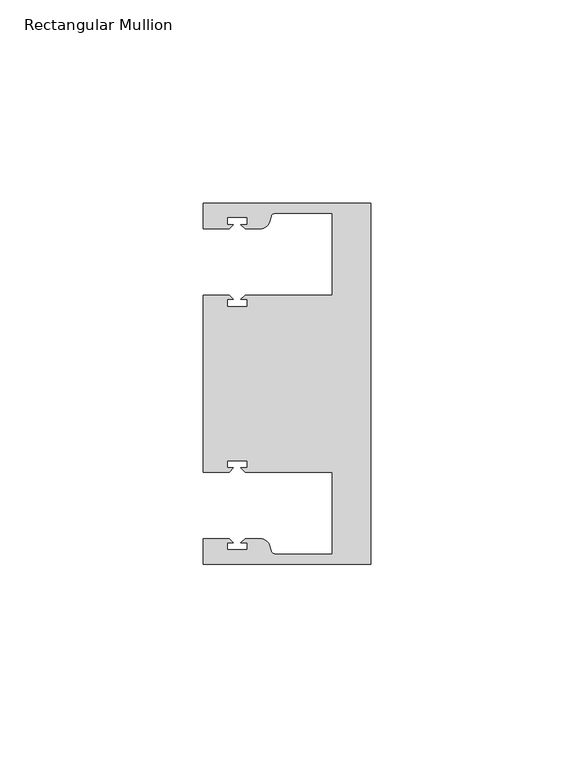
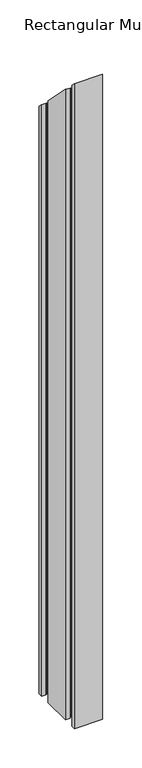
"""IFC4 building model written with IfcOpenShell, lengths in millimetres: member geometry, Rectangular Mullion."""

from ifc_helpers import new_model, si_unit, frame, origin, place, context, project, spatial, polyline, circle_curve, ellipse_curve, source, transform, mapped, element, save
from ifc_brep_helpers import plane_surface, cylinder_surface, revolved_surface, advanced_brep


def rectangular_mullion_f5ccfd08(model_context):
    return source(origin(), model_context, "Body", "AdvancedBrep", [
        advanced_brep(
        [(0.0, -44.45, -952.5), (-41.2749977, -44.45, -952.5), (-41.2749977, -38.1499897, -952.5), (-34.8007531, -38.1499897, -952.5), (-33.8007405, -39.1500023, -952.5), (-35.3749778, -39.1500023, -952.5), (-35.3749778, -40.9498819, -952.5), (-30.3749831, -40.9498819, -952.5), (-30.3749831, -39.1500023, -952.5), (-31.949256, -39.1500023, -952.5), (-30.9492503, -38.1499966, -952.5), (-27.2637853, -38.1499966, -952.5), (-24.8489707, -40.002949, -952.5), (-24.5258588, -41.2088192, -952.5), (-23.5599329, -41.9500001, -952.5), (-9.525, -41.95, -952.5), (-9.525, -21.7499959, -952.5), (-30.9492434, -21.7499959, -952.5), (-31.949256, -20.7499834, -952.5), (-30.3750186, -20.7499834, -952.5), (-30.3750186, -18.949936, -952.5), (-35.3750134, -18.949936, -952.5), (-35.3750134, -20.7499834, -952.5), (-33.8007405, -20.7499834, -952.5), (-34.8007562, -21.749999, -952.5), (-41.275, -21.749999, -952.5), (-41.275, 21.749999, -952.5), (-34.8007562, 21.749999, -952.5), (-33.8007405, 20.7499834, -952.5), (-35.3750134, 20.7499834, -952.5), (-35.3750134, 18.949936, -952.5), (-30.3750186, 18.949936, -952.5), (-30.3750186, 20.7499834, -952.5), (-31.949256, 20.7499834, -952.5), (-30.9492434, 21.7499959, -952.5), (-9.525, 21.7499959, -952.5), (-9.525, 41.95, -952.5), (-23.5599329, 41.95, -952.5), (-24.5258588, 41.2088192, -952.5), (-24.8489707, 40.002949, -952.5), (-27.2637853, 38.1499966, -952.5), (-30.9492503, 38.1499966, -952.5), (-31.949256, 39.1500023, -952.5), (-30.3749831, 39.1500023, -952.5), (-30.3749831, 40.9498819, -952.5), (-35.3749778, 40.9498819, -952.5), (-35.3749778, 39.1500023, -952.5), (-33.8007405, 39.1500023, -952.5), (-34.8007531, 38.1499897, -952.5), (-41.275, 38.1499897, -952.5), (-41.275, 44.45, -952.5), (0.0, 44.45, -952.5), (0.0, 44.45, -44.45), (0.0, -44.45, 44.45), (-41.275, 44.45, -44.45), (-41.275, 38.1499897, -38.1499897), (-34.8007531, 38.1499897, -38.1499897), (-33.8007405, 39.1500023, -39.1500023), (-35.3749778, 39.1500023, -39.1500023), (-35.3749778, 40.9498819, -40.9498819), (-30.3749831, 40.9498819, -40.9498819), (-30.3749831, 39.1500023, -39.1500023), (-31.949256, 39.1500023, -39.1500023), (-30.9492503, 38.1499966, -38.1499966), (-27.2637853, 38.1499966, -38.1499966), (-24.8489707, 40.002949, -40.002949), (-24.5258588, 41.2088192, -41.2088192), (-23.5599329, 41.9500001, -41.9500001), (-9.525, 41.95, -41.95), (-9.525, 21.7499959, -21.7499959), (-30.9492434, 21.7499959, -21.7499959), (-31.949256, 20.7499834, -20.7499834), (-30.3750186, 20.7499834, -20.7499834), (-30.3750186, 18.949936, -18.949936), (-35.3750134, 18.949936, -18.949936), (-35.3750134, 20.7499834, -20.7499834), (-33.8007405, 20.7499834, -20.7499834), (-34.8007562, 21.749999, -21.749999), (-41.275, 21.749999, -21.749999), (-41.275, -21.749999, 21.749999), (-34.8007562, -21.749999, 21.749999), (-33.8007405, -20.7499834, 20.7499834), (-35.3750134, -20.7499834, 20.7499834), (-35.3750134, -18.949936, 18.949936), (-30.3750186, -18.949936, 18.949936), (-30.3750186, -20.7499834, 20.7499834), (-31.949256, -20.7499834, 20.7499834), (-30.9492434, -21.7499959, 21.7499959), (-9.525, -21.7499959, 21.7499959), (-9.525, -41.95, 41.95), (-23.5599329, -41.95, 41.9500001), (-24.5258588, -41.2088192, 41.2088192), (-24.8489707, -40.002949, 40.002949), (-27.2637853, -38.1499966, 38.1499966), (-30.9492503, -38.1499966, 38.1499966), (-31.949256, -39.1500023, 39.1500023), (-30.3749831, -39.1500023, 39.1500023), (-30.3749831, -40.9498819, 40.9498819), (-35.3749778, -40.9498819, 40.9498819), (-35.3749778, -39.1500023, 39.1500023), (-33.8007405, -39.1500023, 39.1500023), (-34.8007531, -38.1499897, 38.1499897), (-41.2749977, -38.1499897, 38.1499897), (-41.2749977, -44.45, 44.45)],
        [
            (0, 1),
            (1, 2),
            (2, 3),
            (3, 4),
            (4, 5),
            (5, 6),
            (6, 7),
            (7, 8),
            (8, 9),
            (9, 10),
            (10, 11),
            (11, 12, circle_curve(frame((-27.2637853, -40.6499966, -952.5), z_axis=(0.0, 0.0, -1.0), x_axis=(0.0, 1.0, 0.0)), 2.5)),
            (12, 13),
            (13, 14, circle_curve(frame((-23.5599329, -40.9500001, -952.5), z_axis=(0.0, 0.0, 1.0), x_axis=(0.0, 1.0, 0.0)), 1.0)),
            (14, 15),
            (15, 16),
            (16, 17),
            (17, 18),
            (18, 19),
            (19, 20),
            (20, 21),
            (21, 22),
            (22, 23),
            (23, 24),
            (24, 25),
            (25, 26),
            (26, 27),
            (27, 28),
            (28, 29),
            (29, 30),
            (30, 31),
            (31, 32),
            (32, 33),
            (33, 34),
            (34, 35),
            (35, 36),
            (36, 37),
            (37, 38, circle_curve(frame((-23.5599329, 40.9500001, -952.5), z_axis=(0.0, 0.0, 1.0), x_axis=(0.0, -1.0, 0.0)), 1.0)),
            (38, 39),
            (39, 40, circle_curve(frame((-27.2637853, 40.6499966, -952.5), z_axis=(0.0, 0.0, -1.0), x_axis=(0.0, -1.0, 0.0)), 2.5)),
            (40, 41),
            (41, 42),
            (42, 43),
            (43, 44),
            (44, 45),
            (45, 46),
            (46, 47),
            (47, 48),
            (48, 49),
            (49, 50),
            (50, 51),
            (51, 0),
            (52, 53),
            (53, 0),
            (51, 52),
            (54, 52),
            (50, 54),
            (55, 54),
            (49, 55),
            (56, 55),
            (48, 56),
            (57, 56),
            (47, 57),
            (58, 57),
            (46, 58),
            (59, 58),
            (45, 59),
            (60, 59),
            (44, 60),
            (61, 60),
            (43, 61),
            (62, 61),
            (42, 62),
            (63, 62),
            (41, 63),
            (64, 63),
            (40, 64),
            (65, 64, ellipse_curve(frame((-27.2637853, 40.6499966, -40.6499966), z_axis=(0.0, -0.7071067811865476, -0.7071067811865476), x_axis=(0.0, -0.7071067811865476, 0.7071067811865474)), 3.5355339, 2.5)),
            (39, 65),
            (66, 65),
            (38, 66),
            (67, 66, ellipse_curve(frame((-23.5599329, 40.9500001, -40.9500001), z_axis=(0.0, 0.7071067811865476, 0.7071067811865476), x_axis=(0.0, 0.7071067811865476, -0.7071067811865474)), 1.4142136, 1.0)),
            (37, 67),
            (68, 67),
            (36, 68),
            (69, 68),
            (35, 69),
            (70, 69),
            (34, 70),
            (71, 70),
            (33, 71),
            (72, 71),
            (32, 72),
            (73, 72),
            (31, 73),
            (74, 73),
            (30, 74),
            (75, 74),
            (29, 75),
            (76, 75),
            (28, 76),
            (77, 76),
            (27, 77),
            (78, 77),
            (26, 78),
            (79, 78),
            (25, 79),
            (80, 79),
            (24, 80),
            (81, 80),
            (23, 81),
            (82, 81),
            (22, 82),
            (83, 82),
            (21, 83),
            (84, 83),
            (20, 84),
            (85, 84),
            (19, 85),
            (86, 85),
            (18, 86),
            (87, 86),
            (17, 87),
            (88, 87),
            (16, 88),
            (89, 88),
            (15, 89),
            (90, 89),
            (14, 90),
            (91, 90, ellipse_curve(frame((-23.5599329, -40.9500001, 40.9500001), z_axis=(0.0, 0.7071067811865476, 0.7071067811865476), x_axis=(0.0, 0.7071067811865476, -0.7071067811865474)), 1.4142136, 1.0)),
            (13, 91),
            (92, 91),
            (12, 92),
            (93, 92, ellipse_curve(frame((-27.2637853, -40.6499966, 40.6499966), z_axis=(0.0, -0.7071067811865476, -0.7071067811865476), x_axis=(0.0, -0.7071067811865476, 0.7071067811865474)), 3.5355339, 2.5)),
            (11, 93),
            (94, 93),
            (10, 94),
            (95, 94),
            (9, 95),
            (96, 95),
            (8, 96),
            (97, 96),
            (7, 97),
            (98, 97),
            (6, 98),
            (99, 98),
            (5, 99),
            (100, 99),
            (4, 100),
            (101, 100),
            (3, 101),
            (102, 101),
            (2, 102),
            (103, 102),
            (1, 103),
            (53, 103),
        ],
        [
            plane_surface(frame((0.0, -60.6582898, -952.5), z_axis=(0.0, 0.0, -1.0), x_axis=(-1.0, 0.0, 0.0))),
            plane_surface(frame((0.0, -44.45, 0.0), z_axis=(1.0, 0.0, 0.0), x_axis=(0.0, 0.0, -1.0))),
            plane_surface(frame((0.0, 44.45, 0.0), z_axis=(0.0, 1.0, 0.0), x_axis=(0.0, 0.0, -1.0))),
            plane_surface(frame((-41.275, 44.45, 0.0), z_axis=(-1.0, 0.0, 0.0), x_axis=(0.0, 0.0, -1.0))),
            plane_surface(frame((-41.275, 38.1499897, 0.0), z_axis=(0.0, -1.0, 0.0), x_axis=(0.0, 0.0, -1.0))),
            plane_surface(frame((-34.8007531, 38.1499897, 0.0), z_axis=(0.7071067811865538, -0.7071067811865414, 0.0), x_axis=(0.0, 0.0, -1.0))),
            plane_surface(frame((-33.8007405, 39.1500023, 0.0), z_axis=(0.0, 1.0, 0.0), x_axis=(0.0, 0.0, -1.0))),
            plane_surface(frame((-35.3749778, 39.1500023, 0.0), z_axis=(1.0, 0.0, 0.0), x_axis=(0.0, 0.0, -1.0))),
            plane_surface(frame((-35.3749778, 40.9498819, 0.0), z_axis=(0.0, -1.0, 0.0), x_axis=(0.0, 0.0, -1.0))),
            plane_surface(frame((-30.3749831, 40.9498819, 0.0), z_axis=(-1.0, 0.0, 0.0), x_axis=(0.0, 0.0, -1.0))),
            plane_surface(frame((-30.3749831, 39.1500023, 0.0), z_axis=(0.0, 1.0, 0.0), x_axis=(0.0, 0.0, -1.0))),
            plane_surface(frame((-31.949256, 39.1500023, 0.0), z_axis=(-0.7071067811865424, -0.7071067811865527, 0.0), x_axis=(0.0, 0.0, -1.0))),
            plane_surface(frame((-30.9492503, 38.1499966, 0.0), z_axis=(0.0, -1.0, 0.0), x_axis=(0.0, 0.0, -1.0))),
            cylinder_surface(frame((-27.2637853, 40.6499966, 0.0), z_axis=(0.0, 0.0, 1.0), x_axis=(0.0, -1.0, 0.0)), 2.5),
            plane_surface(frame((-24.8489707, 40.002949, 0.0), z_axis=(0.9659258262891647, -0.25881904510216125, 0.0), x_axis=(0.0, 0.0, -1.0))),
            revolved_surface(polyline([(-23.5599329, 39.9500001, -952.5), (-23.5599329, 39.9500001, -39.95000007339376)]), (-23.5599329, 40.9500001, 0.0), (0.0, 0.0, -1.0)),
            plane_surface(frame((-23.5599329, 41.95, 0.0), z_axis=(0.0, -1.0, 0.0), x_axis=(0.0, 0.0, -1.0))),
            plane_surface(frame((-9.525, 41.95, 0.0), z_axis=(-1.0, 0.0, 0.0), x_axis=(0.0, 0.0, -1.0))),
            plane_surface(frame((-9.525, 21.7499959, 0.0), z_axis=(0.0, 1.0, 0.0), x_axis=(0.0, 0.0, -1.0))),
            plane_surface(frame((-30.9492434, 21.7499959, 0.0), z_axis=(-0.7071067811865538, 0.7071067811865414, 0.0), x_axis=(0.0, 0.0, -1.0))),
            plane_surface(frame((-31.949256, 20.7499834, 0.0), z_axis=(0.0, -1.0, 0.0), x_axis=(0.0, 0.0, -1.0))),
            plane_surface(frame((-30.3750186, 20.7499834, 0.0), z_axis=(-1.0, 0.0, 0.0), x_axis=(0.0, 0.0, -1.0))),
            plane_surface(frame((-30.3750186, 18.949936, 0.0), z_axis=(0.0, 1.0, 0.0), x_axis=(0.0, 0.0, -1.0))),
            plane_surface(frame((-35.3750134, 18.949936, 0.0), z_axis=(1.0, 0.0, 0.0), x_axis=(0.0, 0.0, -1.0))),
            plane_surface(frame((-35.3750134, 20.7499834, 0.0), z_axis=(0.0, -1.0, 0.0), x_axis=(0.0, 0.0, -1.0))),
            plane_surface(frame((-33.8007405, 20.7499834, 0.0), z_axis=(0.7071067811865427, 0.7071067811865525, 0.0), x_axis=(0.0, 0.0, -1.0))),
            plane_surface(frame((-34.8007562, 21.749999, 0.0), z_axis=(0.0, 1.0, 0.0), x_axis=(0.0, 0.0, -1.0))),
            plane_surface(frame((-41.275, 21.749999, 0.0), z_axis=(-1.0, 0.0, 0.0), x_axis=(0.0, 0.0, -1.0))),
            plane_surface(frame((-41.275, -21.749999, 0.0), z_axis=(0.0, -1.0, 0.0), x_axis=(0.0, 0.0, -1.0))),
            plane_surface(frame((-34.8007562, -21.749999, 0.0), z_axis=(0.7071067811865472, -0.7071067811865479, 0.0), x_axis=(0.0, 0.0, -1.0))),
            plane_surface(frame((-33.8007405, -20.7499834, 0.0), z_axis=(0.0, 1.0, 0.0), x_axis=(0.0, 0.0, -1.0))),
            plane_surface(frame((-35.3750134, -20.7499834, 0.0), z_axis=(1.0, 0.0, 0.0), x_axis=(0.0, 0.0, -1.0))),
            plane_surface(frame((-35.3750134, -18.949936, 0.0), z_axis=(0.0, -1.0, 0.0), x_axis=(0.0, 0.0, -1.0))),
            plane_surface(frame((-30.3750186, -18.949936, 0.0), z_axis=(-1.0, 0.0, 0.0), x_axis=(0.0, 0.0, -1.0))),
            plane_surface(frame((-30.3750186, -20.7499834, 0.0), z_axis=(0.0, 1.0, 0.0), x_axis=(0.0, 0.0, -1.0))),
            plane_surface(frame((-31.949256, -20.7499834, 0.0), z_axis=(-0.7071067811865492, -0.7071067811865459, 0.0), x_axis=(0.0, 0.0, -1.0))),
            plane_surface(frame((-30.9492434, -21.7499959, 0.0), z_axis=(0.0, -1.0, 0.0), x_axis=(0.0, 0.0, -1.0))),
            plane_surface(frame((-9.525, -21.7499959, 0.0), z_axis=(-1.0, 0.0, 0.0), x_axis=(0.0, 0.0, -1.0))),
            plane_surface(frame((-9.525, -41.95, 0.0), z_axis=(0.0, 1.0, 0.0), x_axis=(0.0, 0.0, -1.0))),
            revolved_surface(polyline([(-23.5599329, -39.9500001, -952.5), (-23.5599329, -39.9500001, 41.950000126606234)]), (-23.5599329, -40.9500001, 0.0), (0.0, 0.0, -1.0)),
            plane_surface(frame((-24.5258588, -41.2088192, 0.0), z_axis=(0.965925826289163, 0.2588190451021675, 0.0), x_axis=(0.0, 0.0, -1.0))),
            cylinder_surface(frame((-27.2637853, -40.6499966, 0.0), z_axis=(0.0, 0.0, 1.0), x_axis=(0.0, 1.0, 0.0)), 2.5),
            plane_surface(frame((-27.2637853, -38.1499966, 0.0), z_axis=(0.0, 1.0, 0.0), x_axis=(0.0, 0.0, -1.0))),
            plane_surface(frame((-30.9492503, -38.1499966, 0.0), z_axis=(-0.7071067811865469, 0.7071067811865481, 0.0), x_axis=(0.0, 0.0, -1.0))),
            plane_surface(frame((-31.949256, -39.1500023, 0.0), z_axis=(0.0, -1.0, 0.0), x_axis=(0.0, 0.0, -1.0))),
            plane_surface(frame((-30.3749831, -39.1500023, 0.0), z_axis=(-1.0, 0.0, 0.0), x_axis=(0.0, 0.0, -1.0))),
            plane_surface(frame((-30.3749831, -40.9498819, 0.0), z_axis=(0.0, 1.0, 0.0), x_axis=(0.0, 0.0, -1.0))),
            plane_surface(frame((-35.3749778, -40.9498819, 0.0), z_axis=(1.0, 0.0, 0.0), x_axis=(0.0, 0.0, -1.0))),
            plane_surface(frame((-35.3749778, -39.1500023, 0.0), z_axis=(0.0, -1.0, 0.0), x_axis=(0.0, 0.0, -1.0))),
            plane_surface(frame((-33.8007405, -39.1500023, 0.0), z_axis=(0.7071067811865492, 0.7071067811865459, 0.0), x_axis=(0.0, 0.0, -1.0))),
            plane_surface(frame((-34.8007531, -38.1499897, 0.0), z_axis=(0.0, 1.0, 0.0), x_axis=(0.0, 0.0, -1.0))),
            plane_surface(frame((-41.2749977, -38.1499897, 0.0), z_axis=(-1.0, 0.0, 0.0), x_axis=(0.0, 0.0, -1.0))),
            plane_surface(frame((-41.2749977, -44.45, 0.0), z_axis=(0.0, -1.0, 0.0), x_axis=(0.0, 0.0, -1.0))),
            plane_surface(frame((-304.8, 0.0, 0.0), z_axis=(0.0, 0.7071067811865476, 0.7071067811865476), x_axis=(0.0, 0.7071067811865476, -0.7071067811865476))),
        ],
        [
            (0, [[1, 2, 3, 4, 5, 6, 7, 8, 9, 10, 11, 12, 13, 14, 15, 16, 17, 18, 19, 20, 21, 22, 23, 24, 25, 26, 27, 28, 29, 30, 31, 32, 33, 34, 35, 36, 37, 38, 39, 40, 41, 42, 43, 44, 45, 46, 47, 48, 49, 50, 51, 52]]),
            (1, [[53, 54, -52, 55]]),
            (2, [[56, -55, -51, 57]]),
            (3, [[58, -57, -50, 59]]),
            (4, [[60, -59, -49, 61]]),
            (5, [[62, -61, -48, 63]]),
            (6, [[64, -63, -47, 65]]),
            (7, [[66, -65, -46, 67]]),
            (8, [[68, -67, -45, 69]]),
            (9, [[70, -69, -44, 71]]),
            (10, [[72, -71, -43, 73]]),
            (11, [[74, -73, -42, 75]]),
            (12, [[76, -75, -41, 77]]),
            (13, [[78, -77, -40, 79]]),
            (14, [[80, -79, -39, 81]]),
            (15, [[82, -81, -38, 83]]),
            (16, [[84, -83, -37, 85]]),
            (17, [[86, -85, -36, 87]]),
            (18, [[88, -87, -35, 89]]),
            (19, [[90, -89, -34, 91]]),
            (20, [[92, -91, -33, 93]]),
            (21, [[94, -93, -32, 95]]),
            (22, [[96, -95, -31, 97]]),
            (23, [[98, -97, -30, 99]]),
            (24, [[100, -99, -29, 101]]),
            (25, [[102, -101, -28, 103]]),
            (26, [[104, -103, -27, 105]]),
            (27, [[106, -105, -26, 107]]),
            (28, [[108, -107, -25, 109]]),
            (29, [[110, -109, -24, 111]]),
            (30, [[112, -111, -23, 113]]),
            (31, [[114, -113, -22, 115]]),
            (32, [[116, -115, -21, 117]]),
            (33, [[118, -117, -20, 119]]),
            (34, [[120, -119, -19, 121]]),
            (35, [[122, -121, -18, 123]]),
            (36, [[124, -123, -17, 125]]),
            (37, [[126, -125, -16, 127]]),
            (38, [[128, -127, -15, 129]]),
            (39, [[130, -129, -14, 131]]),
            (40, [[132, -131, -13, 133]]),
            (41, [[134, -133, -12, 135]]),
            (42, [[136, -135, -11, 137]]),
            (43, [[138, -137, -10, 139]]),
            (44, [[140, -139, -9, 141]]),
            (45, [[142, -141, -8, 143]]),
            (46, [[144, -143, -7, 145]]),
            (47, [[146, -145, -6, 147]]),
            (48, [[148, -147, -5, 149]]),
            (49, [[150, -149, -4, 151]]),
            (50, [[152, -151, -3, 153]]),
            (51, [[154, -153, -2, 155]]),
            (52, [[156, -155, -1, -54]]),
            (53, [[-53, -56, -58, -60, -62, -64, -66, -68, -70, -72, -74, -76, -78, -80, -82, -84, -86, -88, -90, -92, -94, -96, -98, -100, -102, -104, -106, -108, -110, -112, -114, -116, -118, -120, -122, -124, -126, -128, -130, -132, -134, -136, -138, -140, -142, -144, -146, -148, -150, -152, -154, -156]]),
        ],
    ),
    ])


if __name__ == "__main__":
    model = new_model("IFC4")
    model_context = context("Model", 3, world=origin())
    ifc_project = project(units=[si_unit("LENGTHUNIT", "METRE", prefix="MILLI")], contexts=[model_context])
    site = spatial("IfcSite", under=ifc_project)
    building = spatial("IfcBuilding", under=site)
    placement = place(None, origin())
    rectangular_mullion_shape = rectangular_mullion_f5ccfd08(model_context)
    element("IfcMember", 1, ObjectType="Rectangular Mullion", at=placement, inside=building, context=model_context, shape_type="MappedRepresentation", body=[
        mapped(rectangular_mullion_shape, transform((0.0, 0.0, 0.0), x_axis=(1.0, 0.0, 0.0), y_axis=(0.0, 1.0, 0.0), z_axis=(0.0, 0.0, 1.0))),
    ])
    save(model, "model.ifc")
